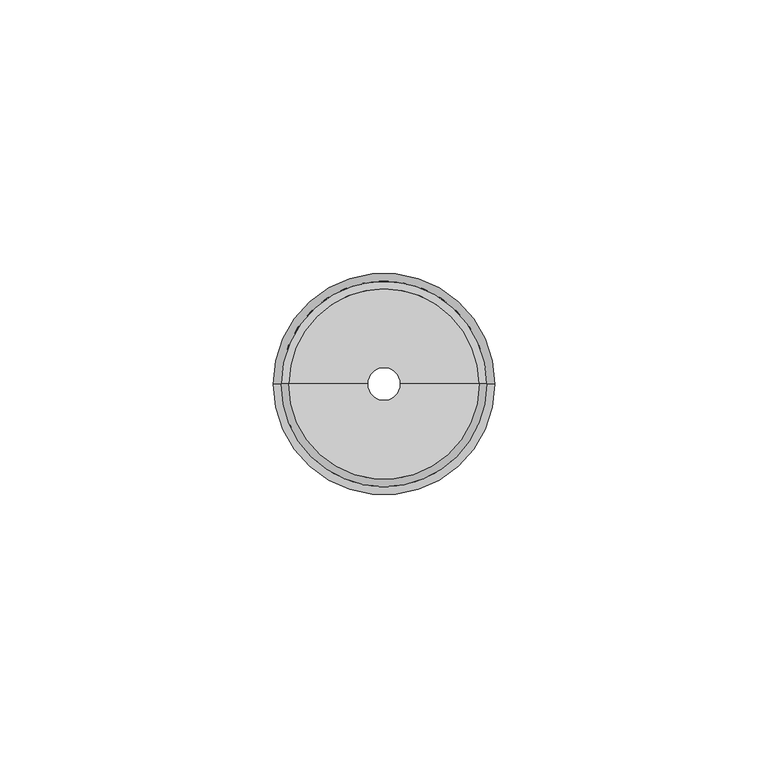
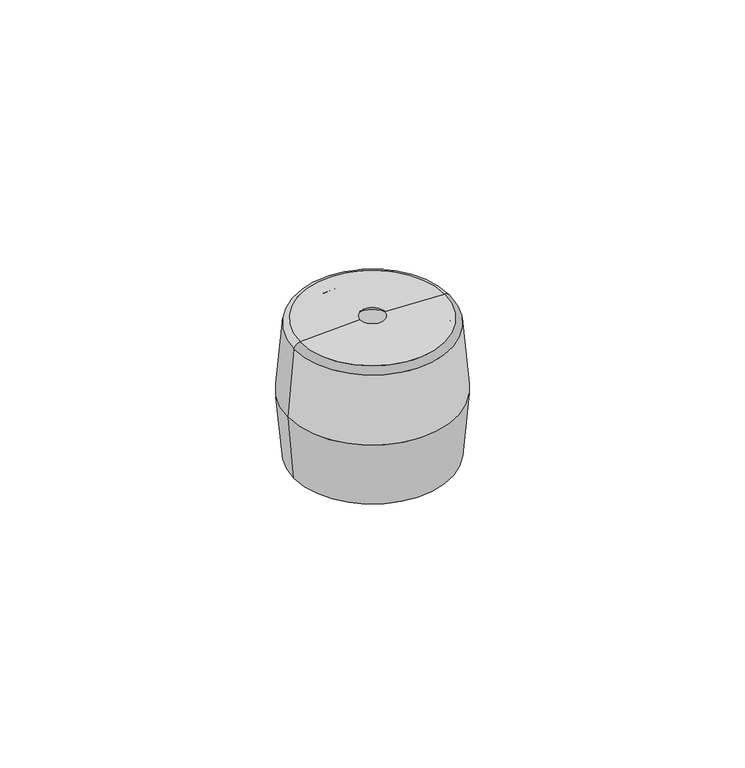
"""IFC4 building model written with IfcOpenShell, lengths in millimetres: proxy geometry."""

import ifcopenshell
import ifcopenshell.guid

model = None  # the IFC model being written
_history = None  # IfcOwnerHistory: only IFC2X3 demands one
_inside = {}  # id of a spatial element -> (the spatial element, [elements in it])
_under = {}  # id of a project, library or spatial element -> (it, [spatial elements below it])
_declared = {}  # id of a project -> (the project, [libraries it declares])
_typed = {}  # id of a type object -> (the type object, [elements of that type])
_made_of = {}  # id of a material, layer set ... -> (it, [elements and type objects made of it])


def new_model(schema):
    """Start an empty IFC model of exactly this schema.

    Asked for "IFC4X3", IfcOpenShell would pick the latest addendum, in which some entities
    have other attributes; the version numbers below select the first issue.
    IFC2X3 requires an IfcOwnerHistory on every rooted entity: one is made here for all.
    """
    global model, _history
    if schema == "IFC4X3":
        model = ifcopenshell.file(schema_version=(4, 3, 0, 0))
    else:
        model = ifcopenshell.file(schema=schema)
    _inside.clear()
    _under.clear()
    _declared.clear()
    _typed.clear()
    _made_of.clear()
    _history = None
    if model.schema == "IFC2X3":
        org = make("IfcOrganization", Name="unknown")
        user = make(
            "IfcPersonAndOrganization",
            ThePerson=make("IfcPerson", FamilyName="unknown"),
            TheOrganization=org,
        )
        app = make(
            "IfcApplication",
            ApplicationDeveloper=org,
            Version="unknown",
            ApplicationFullName="unknown",
            ApplicationIdentifier="unknown",
        )
        _history = make(
            "IfcOwnerHistory",
            OwningUser=user,
            OwningApplication=app,
            ChangeAction="ADDED",
            CreationDate=0,
        )
    return model


def make(cls, **values):
    """One entity of the class cls with the attributes given. An attribute that is None is left unset."""
    return model.create_entity(
        cls, **{name: value for name, value in values.items() if value is not None}
    )


def rooted(cls, **values):
    """An entity with a GlobalId (a new one), such as an element, a storey or a relation."""
    return make(cls, GlobalId=ifcopenshell.guid.new(), OwnerHistory=_history, **values)


def si_unit(unit_type, name, prefix=None):
    """IfcSIUnit, for example si_unit("LENGTHUNIT", "METRE", prefix="MILLI")."""
    return make("IfcSIUnit", UnitType=unit_type, Prefix=prefix, Name=name)


def assignment(units):
    """IfcUnitAssignment: the units of a project."""
    return None if units is None else make("IfcUnitAssignment", Units=units)


def point(xyz):
    """IfcCartesianPoint."""
    return None if xyz is None else make("IfcCartesianPoint", Coordinates=xyz)


def direction(xyz):
    """IfcDirection."""
    return None if xyz is None else make("IfcDirection", DirectionRatios=xyz)


def frame(location, z_axis=None, x_axis=None):
    """IfcAxis2Placement3D, a coordinate frame: its origin and axes. An axis left out is left unset."""
    return make(
        "IfcAxis2Placement3D",
        Location=point(location),
        Axis=direction(z_axis),
        RefDirection=direction(x_axis),
    )


def origin():
    """The frame at (0, 0, 0) with its axes left unset."""
    return frame((0.0, 0.0, 0.0))


def place(relative_to, where):
    """IfcLocalPlacement: puts the frame where relative to a parent placement (None: the world)."""
    return make(
        "IfcLocalPlacement", PlacementRelTo=relative_to, RelativePlacement=where
    )


def context(
    kind, dimensions, precision=None, world=None, true_north=None, identifier=None
):
    """IfcGeometricRepresentationContext, for example the 3D "Model" context."""
    return make(
        "IfcGeometricRepresentationContext",
        ContextIdentifier=identifier,
        ContextType=kind,
        CoordinateSpaceDimension=dimensions,
        Precision=precision,
        WorldCoordinateSystem=world,
        TrueNorth=true_north,
    )


def project(units=None, contexts=None):
    """IfcProject with its units and contexts."""
    return rooted(
        "IfcProject",
        Name="project",
        RepresentationContexts=contexts,
        UnitsInContext=assignment(units),
    )


def spatial(cls, under=None, at=None, **own):
    """A site, building, storey or space (cls), placed at a placement, below another one or the project."""
    s = rooted(cls, ObjectPlacement=at, **own)
    if under is not None:
        _under.setdefault(under.id(), (under, []))[1].append(s)
    return s


def polyline(points):
    """IfcPolyline through the points."""
    return make("IfcPolyline", Points=[point(p) for p in points])


def circle_curve(where, radius):
    """IfcCircle in the frame where."""
    return make("IfcCircle", Position=where, Radius=radius)


def ellipse_curve(where, semi_axis1, semi_axis2):
    """IfcEllipse in the frame where."""
    return make(
        "IfcEllipse", Position=where, SemiAxis1=semi_axis1, SemiAxis2=semi_axis2
    )


def trimmed(basis, trim1, trim2, sense, master):
    """IfcTrimmedCurve: the piece of a basis curve between two trims."""
    return make(
        "IfcTrimmedCurve",
        BasisCurve=basis,
        Trim1=trim1,
        Trim2=trim2,
        SenseAgreement=sense,
        MasterRepresentation=master,
    )


def shape(context_of_items, identifier, shape_type, items):
    """IfcShapeRepresentation: the items that make up one representation, for example the "Body"."""
    return make(
        "IfcShapeRepresentation",
        ContextOfItems=context_of_items,
        RepresentationIdentifier=identifier,
        RepresentationType=shape_type,
        Items=items,
    )


def source(mapping_origin, context_of_items, identifier, shape_type, items):
    """IfcRepresentationMap: a shape defined once, which mapped items show again and again."""
    return make(
        "IfcRepresentationMap",
        MappingOrigin=mapping_origin,
        MappedRepresentation=shape(context_of_items, identifier, shape_type, items),
    )


def transform(
    local_origin,
    x_axis=None,
    y_axis=None,
    z_axis=None,
    scale=None,
    scale2=None,
    scale3=None,
    uniform=True,
):
    """IfcCartesianTransformationOperator3D, or its non-uniform kind. x_axis, y_axis, z_axis: its Axis1, 2, 3."""
    if uniform:
        return make(
            "IfcCartesianTransformationOperator3D",
            Axis1=direction(x_axis),
            Axis2=direction(y_axis),
            LocalOrigin=point(local_origin),
            Scale=scale,
            Axis3=direction(z_axis),
        )
    return make(
        "IfcCartesianTransformationOperator3DnonUniform",
        Axis1=direction(x_axis),
        Axis2=direction(y_axis),
        LocalOrigin=point(local_origin),
        Scale=scale,
        Axis3=direction(z_axis),
        Scale2=scale2,
        Scale3=scale3,
    )


def mapped(mapping_source, mapping_target):
    """IfcMappedItem: shows the shape of a source again, moved by a transform."""
    return make(
        "IfcMappedItem", MappingSource=mapping_source, MappingTarget=mapping_target
    )


def made_of(thing, what):
    """Note that an element or type object is made of a material, layer set ...; save() writes the relation."""
    if what is not None:
        _made_of.setdefault(what.id(), (what, []))[1].append(thing)
    return thing


def element(
    cls,
    number,
    at=None,
    inside=None,
    cuts=None,
    type_object=None,
    material=None,
    context=None,
    identifier="Body",
    shape_type=None,
    held_by="IfcProductDefinitionShape",
    body=None,
    shapes=None,
    **own,
):
    """One element of the class cls, such as IfcWall. Its Tag is "e" and its number.

    at: its placement. inside: the storey or other place that contains it. cuts: it is an
    opening in that element (IfcRelVoidsElement). A single representation is given by context,
    identifier, shape_type and body (its items); several are given by shapes. held_by: the class
    of the entity that holds the representations. save() writes the other relations.
    """
    e = rooted(cls, Tag="e%d" % number, ObjectPlacement=at, **own)
    if body is not None:
        shapes = [shape(context, identifier, shape_type, body)]
    if shapes is not None:
        e.Representation = make(held_by, Representations=shapes)
    if inside is not None:
        _inside.setdefault(inside.id(), (inside, []))[1].append(e)
    if cuts is not None:
        rooted(
            "IfcRelVoidsElement", RelatingBuildingElement=cuts, RelatedOpeningElement=e
        )
    if type_object is not None:
        _typed.setdefault(type_object.id(), (type_object, []))[1].append(e)
    return made_of(e, material)


def aggregate(whole, parts):
    """IfcRelAggregates: a whole, such as a stair, and the parts it consists of."""
    return rooted("IfcRelAggregates", RelatingObject=whole, RelatedObjects=parts)


def save(model, path):
    """Write the relations noted so far, then the file.

    IfcRelAggregates (storeys below a building ...), IfcRelContainedInSpatialStructure (elements
    in a storey), IfcRelDefinesByType, IfcRelAssociatesMaterial and IfcRelDeclares: one each for
    every whole, place, type object, material and project.
    """
    for whole, parts in _under.values():
        aggregate(whole, parts)
    for where, things in _inside.values():
        rooted(
            "IfcRelContainedInSpatialStructure",
            RelatedElements=things,
            RelatingStructure=where,
        )
    for kind, things in _typed.values():
        rooted("IfcRelDefinesByType", RelatedObjects=things, RelatingType=kind)
    for what, things in _made_of.values():
        rooted("IfcRelAssociatesMaterial", RelatedObjects=things, RelatingMaterial=what)
    for by, libraries in _declared.values():
        rooted("IfcRelDeclares", RelatingContext=by, RelatedDefinitions=libraries)
    model.write(path)


def plane_surface(at):
    """IfcPlane: the flat surface through the origin of the frame at, square to its z axis."""
    return make("IfcPlane", Position=at)


def revolved_surface(curve, axis_point, axis_direction):
    """IfcSurfaceOfRevolution: the curve turned about the line through axis_point along axis_direction."""
    return make(
        "IfcSurfaceOfRevolution",
        SweptCurve=make("IfcArbitraryOpenProfileDef", ProfileType="CURVE", Curve=curve),
        AxisPosition=make("IfcAxis1Placement", Location=point(axis_point), Axis=direction(axis_direction)),
    )


def advanced_brep(points, edges, surfaces, faces):
    """IfcAdvancedBrep: a solid bounded by faces that lie on surfaces and meet in shared edges.

    An edge is (start, end): straight between two places in points (the first is 0);
    or (start, end, curve); or (start, end, curve, False) where it runs against its curve.
    A face is (place in surfaces, loops), or (place, loops, False) where it looks against
    its surface's normal. A loop lists edges by number (the first is 1), with a minus sign
    where the edge is run from its end to its start. The first loop is the outer one.
    """
    corners = [point(p) for p in points]
    vertices = [make("IfcVertexPoint", VertexGeometry=c) for c in corners]
    made = []
    for start, end, *more in edges:
        made.append(
            make(
                "IfcEdgeCurve",
                EdgeStart=vertices[start],
                EdgeEnd=vertices[end],
                EdgeGeometry=more[0] if more else make("IfcPolyline", Points=[corners[start], corners[end]]),
                SameSense=more[1] if len(more) > 1 else True,
            )
        )
    hull = []
    for where, loops, *sense in faces:
        bounds = []
        for j, loop in enumerate(loops):
            ring = [make("IfcOrientedEdge", EdgeElement=made[abs(k) - 1], Orientation=k > 0) for k in loop]
            bounds.append(
                make(
                    "IfcFaceOuterBound" if j == 0 else "IfcFaceBound",
                    Bound=make("IfcEdgeLoop", EdgeList=ring),
                    Orientation=True,
                )
            )
        hull.append(make("IfcAdvancedFace", Bounds=bounds, FaceSurface=surfaces[where], SameSense=sense[0] if sense else True))
    return make("IfcAdvancedBrep", Outer=make("IfcClosedShell", CfsFaces=hull))


def generic_models_38f7ab34(model_context):
    return source(origin(), model_context, "Body", "AdvancedBrep", [
        advanced_brep(
        [(18.9001814, 0.0, 0.0), (20.3, 0.0, 16.0), (-20.3, 0.0, 16.0), (-18.9001814, 0.0, 0.0), (4.5231678, 0.0, 33.2768322), (3.0, 0.0, 34.8), (-3.0, 0.0, 34.8), (-4.5231678, 0.0, 33.2768322), (17.4367069, 0.0, 34.2091818), (-17.4367069, 0.0, 34.2091818), (18.8263787, 0.0, 32.8435684), (-18.8263787, 0.0, 32.8435684), (17.5, 0.0, 0.0), (16.9849418, 0.0, 29.5076637), (-16.9849418, 0.0, 29.5076637), (-17.5, 0.0, 0.0), (13.6781245, 0.0, 32.9412743), (-13.6781245, 0.0, 32.9412743)],
        [
            (0, 1),
            (1, 2, circle_curve(frame((0.0, 0.0, 16.0), z_axis=(0.0, 0.0, -1.0), x_axis=(-1.0, 0.0, 0.0)), 20.3)),
            (2, 3),
            (3, 0, circle_curve(frame((0.0, 0.0, 0.0), z_axis=(0.0, 0.0, 1.0), x_axis=(-1.0, 0.0, 0.0)), 18.9001814)),
            (4, 5),
            (5, 6, circle_curve(frame((0.0, 0.0, 34.8), z_axis=(0.0, 0.0, 1.0), x_axis=(1.0, 0.0, 0.0)), 3.0)),
            (6, 7),
            (7, 4, circle_curve(frame((0.0, 0.0, 33.2768322), z_axis=(0.0, 0.0, -1.0), x_axis=(1.0, 0.0, 0.0)), 4.5231678)),
            (8, 5, circle_curve(frame((0.0, 0.0, -215.1819994), z_axis=(0.0, -1.0, 0.0), x_axis=(1.0, 0.0, 0.0)), 250.0)),
            (5, 6, circle_curve(frame((0.0, 0.0, 34.8), z_axis=(0.0, 0.0, -1.0), x_axis=(1.0, 0.0, 0.0)), 3.0)),
            (6, 9, circle_curve(frame((0.0, 0.0, -215.1819994), z_axis=(0.0, -1.0, 0.0), x_axis=(-1.0, 0.0, 0.0)), 250.0)),
            (9, 8, circle_curve(frame((0.0, 0.0, 34.2091818), z_axis=(0.0, 0.0, 1.0), x_axis=(1.0, 0.0, 0.0)), 17.4367069)),
            (10, 8, circle_curve(frame((17.3320867, 0.0, 32.7128347), z_axis=(0.0, -1.0, 0.0), x_axis=(1.0, 0.0, 0.0)), 1.5)),
            (9, 11, circle_curve(frame((-17.3320867, 0.0, 32.7128347), z_axis=(0.0, -1.0, 0.0), x_axis=(-1.0, 0.0, 0.0)), 1.5)),
            (11, 10, circle_curve(frame((0.0, 0.0, 32.8435684), z_axis=(0.0, 0.0, 1.0), x_axis=(-1.0, 0.0, 0.0)), 18.8263787)),
            (1, 10),
            (11, 2),
            (12, 13),
            (13, 14, circle_curve(frame((0.0, 0.0, 29.5076637), z_axis=(0.0, 0.0, 1.0), x_axis=(1.0, 0.0, 0.0)), 16.9849418)),
            (14, 15),
            (15, 12, circle_curve(frame((0.0, 0.0, 0.0), z_axis=(0.0, 0.0, -1.0), x_axis=(1.0, 0.0, 0.0)), 17.5)),
            (16, 4, circle_curve(frame((0.0, 0.0, -215.1819994), z_axis=(0.0, -1.0, 0.0), x_axis=(1.0, 0.0, 0.0)), 248.5)),
            (7, 17, circle_curve(frame((0.0, 0.0, -215.1819994), z_axis=(0.0, -1.0, 0.0), x_axis=(-1.0, 0.0, 0.0)), 248.5)),
            (17, 16, circle_curve(frame((0.0, 0.0, 32.9412743), z_axis=(0.0, 0.0, -1.0), x_axis=(1.0, 0.0, 0.0)), 13.6781245)),
            (13, 16, circle_curve(frame((13.4854749, 0.0, 29.4465803), z_axis=(0.0, -1.0, 0.0), x_axis=(1.0, 0.0, 0.0)), 3.5)),
            (17, 14, circle_curve(frame((-13.4854749, 0.0, 29.4465803), z_axis=(0.0, -1.0, 0.0), x_axis=(-1.0, 0.0, 0.0)), 3.5)),
            (13, 14, circle_curve(frame((0.0, 0.0, 29.5076637), z_axis=(0.0, 0.0, -1.0), x_axis=(-1.0, 0.0, 0.0)), 16.9849418)),
            (17, 16, circle_curve(frame((0.0, 0.0, 32.9412743), z_axis=(0.0, 0.0, 1.0), x_axis=(-1.0, 0.0, 0.0)), 13.6781245)),
            (7, 4, circle_curve(frame((0.0, 0.0, 33.2768322), z_axis=(0.0, 0.0, 1.0), x_axis=(1.0, 0.0, 0.0)), 4.5231678)),
            (12, 15, circle_curve(frame((0.0, 0.0, 0.0), z_axis=(0.0, 0.0, -1.0), x_axis=(-1.0, 0.0, 0.0)), 17.5)),
            (1, 2, circle_curve(frame((0.0, 0.0, 16.0), z_axis=(0.0, 0.0, 1.0), x_axis=(1.0, 0.0, 0.0)), 20.3)),
            (11, 10, circle_curve(frame((0.0, 0.0, 32.8435684), z_axis=(0.0, 0.0, -1.0), x_axis=(1.0, 0.0, 0.0)), 18.8263787)),
            (9, 8, circle_curve(frame((0.0, 0.0, 34.2091818), z_axis=(0.0, 0.0, -1.0), x_axis=(1.0, 0.0, 0.0)), 17.4367069)),
            (3, 0, circle_curve(frame((0.0, 0.0, 0.0), z_axis=(0.0, 0.0, -1.0), x_axis=(1.0, 0.0, 0.0)), 18.9001814)),
        ],
        [
            revolved_surface(polyline([(18.90018138330737, 0.0, 0.0), (20.3, 0.0, 16.0)]), (0.0, 0.0, -216.0300617), (0.0, 0.0, 1.0)),
            revolved_surface(polyline([(4.5231678, 0.0, 33.2768322), (3.0000000000000027, 0.0, 34.8)]), (0.0, 0.0, 37.8), (0.0, 0.0, -1.0)),
            revolved_surface(trimmed(ellipse_curve(frame((0.0, 0.0, -215.1819994), z_axis=(0.0, 1.0, 0.0), x_axis=(1.0, 0.0, 0.0)), 250.0, 250.0), [point((3.0, 0.0, 34.8))], [point((17.4367069, 0.0, 34.2091818))], True, "CARTESIAN"), (0.0, 0.0, -215.1819994), (0.0, 0.0, -1.0)),
            revolved_surface(trimmed(ellipse_curve(frame((-17.3320867, 0.0, 32.7128347), z_axis=(0.0, 1.0, 0.0), x_axis=(-1.0, 0.0, 0.0)), 1.5, 1.5), [point((-18.8263787, 0.0, 32.8435684))], [point((-17.4367069, 0.0, 34.2091818))], True, "CARTESIAN"), (0.0, 0.0, 32.7128347), (0.0, 0.0, 1.0)),
            revolved_surface(polyline([(18.826378711384017, 0.0, 32.84356840000001), (20.3, 0.0, 16.0)]), (0.0, 0.0, 248.0300617), (0.0, 0.0, -1.0)),
            revolved_surface(polyline([(17.5, 0.0, 0.0), (16.98494181421682, 0.0, 29.507663699999966)]), (0.0, 0.0, 1002.5743285), (0.0, 0.0, -1.0)),
            revolved_surface(trimmed(ellipse_curve(frame((0.0, 0.0, -215.1819994), z_axis=(0.0, 1.0, 0.0), x_axis=(1.0, 0.0, 0.0)), 248.5, 248.5), [point((4.5231678, 0.0, 33.2768322))], [point((13.6781245, 0.0, 32.9412743))], True, "CARTESIAN"), (0.0, 0.0, -215.1819994), (0.0, 0.0, 1.0)),
            revolved_surface(trimmed(ellipse_curve(frame((13.4854749, 0.0, 29.4465803), z_axis=(0.0, 1.0, 0.0), x_axis=(1.0, 0.0, 0.0)), 3.5, 3.5), [point((13.6781245, 0.0, 32.9412743))], [point((16.9849418, 0.0, 29.5076637))], True, "CARTESIAN"), (0.0, 0.0, 29.4465803), (0.0, 0.0, 1.0)),
            revolved_surface(trimmed(ellipse_curve(frame((-13.4854749, 0.0, 29.4465803), z_axis=(0.0, -1.0, 0.0), x_axis=(-1.0, 0.0, 0.0)), 3.5, 3.5), [point((-13.6781245, 0.0, 32.9412743))], [point((-16.9849418, 0.0, 29.5076637))], True, "CARTESIAN"), (0.0, 0.0, 29.4465803), (0.0, 0.0, 1.0)),
            revolved_surface(trimmed(ellipse_curve(frame((17.3320867, 0.0, 32.7128347), z_axis=(0.0, -1.0, 0.0), x_axis=(1.0, 0.0, 0.0)), 1.5, 1.5), [point((18.8263787, 0.0, 32.8435684))], [point((17.4367069, 0.0, 34.2091818))], True, "CARTESIAN"), (0.0, 0.0, 32.7128347), (0.0, 0.0, 1.0)),
            plane_surface(frame((18.2000907, 0.0, 0.0), z_axis=(0.0, 0.0, -1.0), x_axis=(-1.0, 0.0, 0.0))),
        ],
        [
            (0, [[1, 2, 3, 4]]),
            (1, [[5, 6, 7, 8]]),
            (2, [[9, 10, 11, 12]]),
            (3, [[13, -12, 14, 15]]),
            (4, [[16, -15, 17, -2]]),
            (5, [[18, 19, 20, 21]]),
            (6, [[22, -8, 23, 24]]),
            (7, [[25, -24, 26, -19]]),
            (8, [[-25, 27, -26, 28]]),
            (6, [[-22, -28, -23, 29]]),
            (5, [[-18, 30, -20, -27]]),
            (4, [[-16, 31, -17, 32]]),
            (9, [[-13, -32, -14, 33]]),
            (2, [[-9, -33, -11, -6]]),
            (1, [[-5, -29, -7, -10]]),
            (10, [[34, -4], [-21, -30]]),
            (0, [[-1, -34, -3, -31]]),
        ],
    ),
    ])


if __name__ == "__main__":
    model = new_model("IFC4")
    model_context = context("Model", 3, world=origin())
    ifc_project = project(units=[si_unit("LENGTHUNIT", "METRE", prefix="MILLI")], contexts=[model_context])
    site = spatial("IfcSite", under=ifc_project)
    building = spatial("IfcBuilding", under=site)
    placement = place(None, origin())
    generic_models_shape = generic_models_38f7ab34(model_context)
    element("IfcBuildingElementProxy", 1, Name="Generic Models", at=placement, inside=building, context=model_context, shape_type="MappedRepresentation", body=[
        mapped(generic_models_shape, transform((0.0, 0.0, 0.0), x_axis=(1.0, 0.0, 0.0), y_axis=(0.0, 1.0, 0.0), z_axis=(0.0, 0.0, 1.0))),
    ])
    save(model, "model.ifc")
